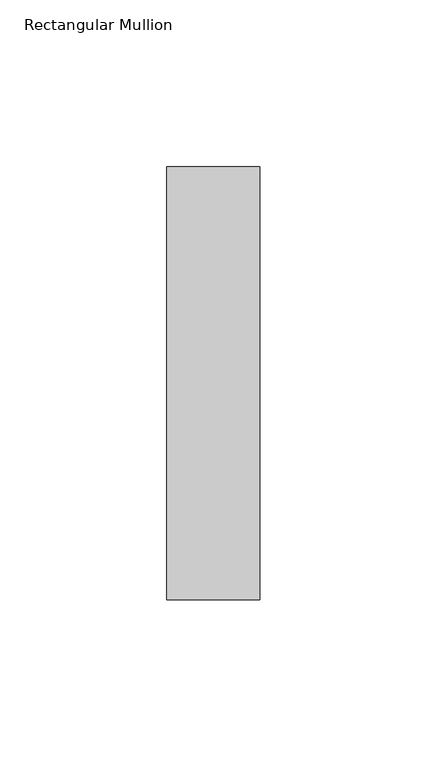
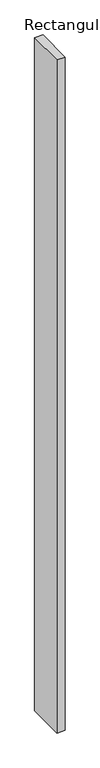
"""IFC4 building model written with IfcOpenShell, lengths in millimetres: member geometry, Rectangular Mullion."""

from ifc_helpers import new_model, si_unit, frame, origin, place, context, project, spatial, polyline, outline, extrude, source, transform, mapped, element, save


def rectangular_mullion_e00a99c9(model_context):
    return source(origin(), model_context, "Body", "SweptSolid", [
        extrude(outline(polyline([(0.0, -65.0), (-28.0, -65.0), (-28.0, 65.0), (0.0, 65.0), (0.0, -65.0)])), frame((0.0, 0.0, -2400.0), z_axis=(0.0, 0.0, 1.0), x_axis=(1.0, 0.0, 0.0)), (0.0, 0.0, 1.0), 2400.0),
    ])


if __name__ == "__main__":
    model = new_model("IFC4")
    model_context = context("Model", 3, world=origin())
    ifc_project = project(units=[si_unit("LENGTHUNIT", "METRE", prefix="MILLI")], contexts=[model_context])
    site = spatial("IfcSite", under=ifc_project)
    building = spatial("IfcBuilding", under=site)
    placement = place(None, origin())
    rectangular_mullion_shape = rectangular_mullion_e00a99c9(model_context)
    element("IfcMember", 1, ObjectType="Rectangular Mullion", at=placement, inside=building, context=model_context, shape_type="MappedRepresentation", body=[
        mapped(rectangular_mullion_shape, transform((0.0, 0.0, 0.0), x_axis=(1.0, 0.0, 0.0), y_axis=(0.0, 1.0, 0.0), z_axis=(0.0, 0.0, 1.0))),
    ])
    save(model, "model.ifc")
